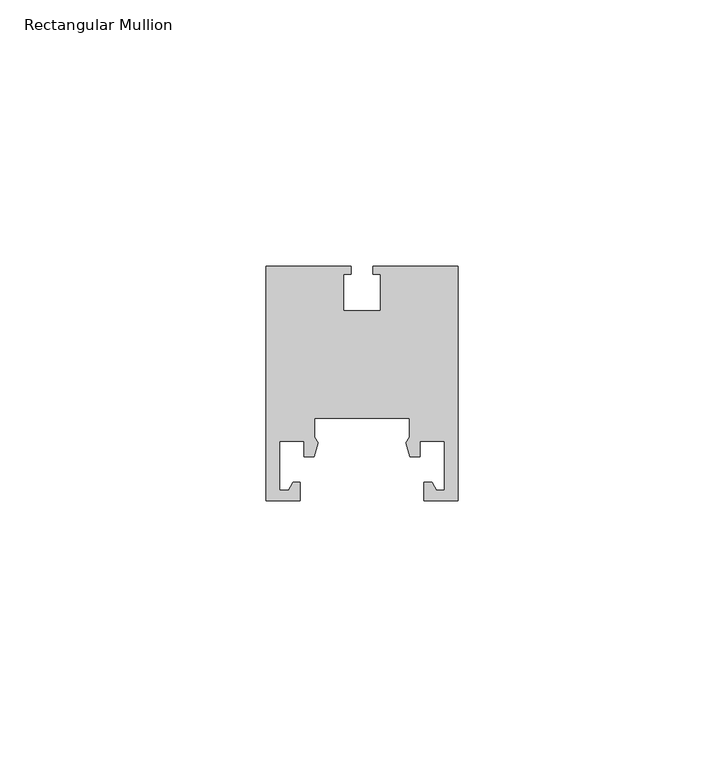
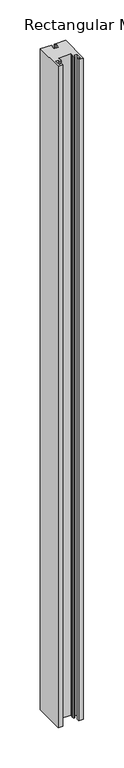
"""IFC4 building model written with IfcOpenShell, lengths in millimetres: member geometry, Rectangular Mullion."""

from ifc_helpers import new_model, si_unit, frame, origin, place, context, project, spatial, polyline, outline, extrude, source, transform, mapped, element, save


def rectangular_mullion_6f5f52fb(model_context):
    return source(origin(), model_context, "Body", "SweptSolid", [
        extrude(outline(polyline([(-9.1, 11.8880702), (-9.1, 15.435577), (-26.9, 15.435577), (-26.9, 11.8880702), (-26.3, 10.835577), (-27.0483348, 8.235577), (-28.9, 8.235577), (-28.9, 11.085577), (-33.5, 11.085577), (-33.5, 1.935577), (-31.8368074, 1.935577), (-30.970782, 3.435577), (-29.6, 3.435577), (-29.6, -0.064423), (-36.0, -0.064423), (-36.0, 43.935577), (-20.05, 43.935577), (-20.05, 42.435577), (-21.5, 42.435577), (-21.5, 35.635577), (-14.5, 35.635577), (-14.5, 42.435577), (-15.95, 42.435577), (-15.95, 43.935577), (0.0, 43.935577), (0.0, -0.064423), (-6.4, -0.064423), (-6.4, 3.435577), (-4.8660254, 3.435577), (-4.0, 1.935577), (-2.5, 1.935577), (-2.5, 11.085577), (-7.1, 11.085577), (-7.1, 8.235577), (-8.9516652, 8.235577), (-9.7, 10.835577), (-9.1, 11.8880702)])), frame((0.0, 0.0, -1000.0), z_axis=(0.0, 0.0, 1.0), x_axis=(1.0, 0.0, 0.0)), (0.0, 0.0, 1.0), 1000.0),
    ])


if __name__ == "__main__":
    model = new_model("IFC4")
    model_context = context("Model", 3, world=origin())
    ifc_project = project(units=[si_unit("LENGTHUNIT", "METRE", prefix="MILLI")], contexts=[model_context])
    site = spatial("IfcSite", under=ifc_project)
    building = spatial("IfcBuilding", under=site)
    placement = place(None, origin())
    rectangular_mullion_shape = rectangular_mullion_6f5f52fb(model_context)
    element("IfcMember", 1, ObjectType="Rectangular Mullion", at=placement, inside=building, context=model_context, shape_type="MappedRepresentation", body=[
        mapped(rectangular_mullion_shape, transform((0.0, 0.0, 0.0), x_axis=(1.0, 0.0, 0.0), y_axis=(0.0, 1.0, 0.0), z_axis=(0.0, 0.0, 1.0))),
    ])
    save(model, "model.ifc")
